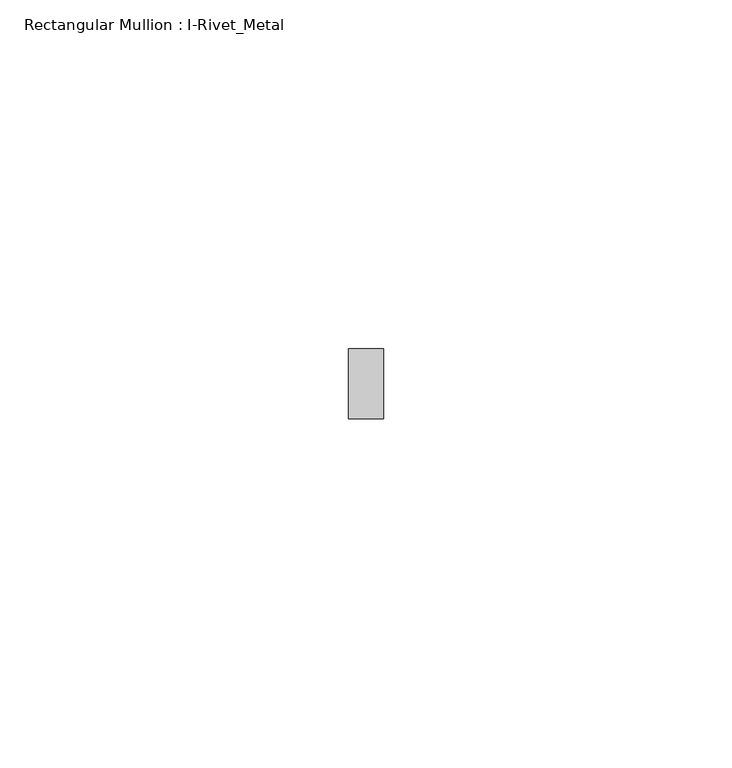
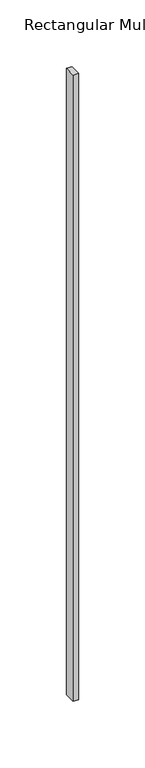
"""IFC4 building model written with IfcOpenShell, lengths in millimetres: member geometry, Rectangular Mullion : I-Rivet_Metal."""

from ifc_helpers import new_model, si_unit, frame, origin, place, context, project, spatial, polyline, outline, extrude, source, transform, mapped, element, save


def rectangular_mullion_i_rivet_metal_271a4300(model_context):
    return source(origin(), model_context, "Body", "SweptSolid", [
        extrude(outline(polyline([(2.5, 70.0), (-2.5, 70.0), (-2.5, 80.0), (2.5, 80.0), (2.5, 70.0)])), frame((0.0, 0.0, -575.0), z_axis=(0.0, 0.0, 1.0), x_axis=(1.0, 0.0, 0.0)), (0.0, 0.0, 1.0), 575.0),
    ])


if __name__ == "__main__":
    model = new_model("IFC4")
    model_context = context("Model", 3, world=origin())
    ifc_project = project(units=[si_unit("LENGTHUNIT", "METRE", prefix="MILLI")], contexts=[model_context])
    site = spatial("IfcSite", under=ifc_project)
    building = spatial("IfcBuilding", under=site)
    placement = place(None, origin())
    rectangular_mullion_i_rivet_metal_shape = rectangular_mullion_i_rivet_metal_271a4300(model_context)
    element("IfcMember", 1, ObjectType="Rectangular Mullion : I-Rivet_Metal", at=placement, inside=building, context=model_context, shape_type="MappedRepresentation", body=[
        mapped(rectangular_mullion_i_rivet_metal_shape, transform((0.0, 0.0, 0.0), x_axis=(1.0, 0.0, 0.0), y_axis=(0.0, 1.0, 0.0), z_axis=(0.0, 0.0, 1.0))),
    ])
    save(model, "model.ifc")
